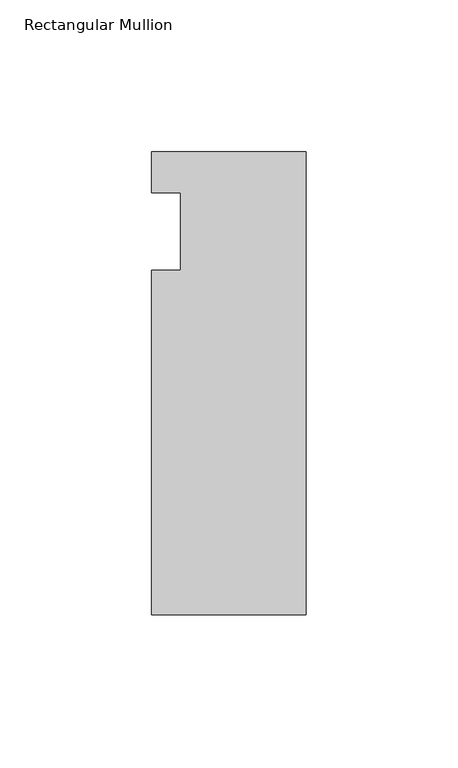
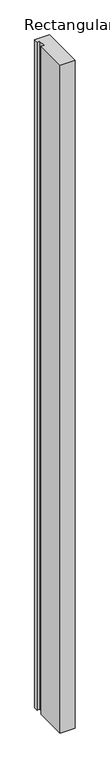
"""IFC4 building model written with IfcOpenShell, lengths in millimetres: member geometry, Rectangular Mullion."""

from ifc_helpers import new_model, si_unit, frame, origin, place, context, project, spatial, polyline, outline, extrude, source, transform, mapped, element, save


def rectangular_mullion_bac2086d(model_context):
    return source(origin(), model_context, "Body", "SweptSolid", [
        extrude(outline(polyline([(-50.8, 26.19375), (0.0, 26.19375), (0.0, -126.20625), (-50.8, -126.20625), (-50.8, -12.7), (-41.275, -12.7), (-41.275, 12.7), (-50.8, 12.7), (-50.8, 26.19375)])), frame((0.0, 0.0, -2438.4), z_axis=(0.0, 0.0, 1.0), x_axis=(1.0, 0.0, 0.0)), (0.0, 0.0, 1.0), 2438.4),
    ])


if __name__ == "__main__":
    model = new_model("IFC4")
    model_context = context("Model", 3, world=origin())
    ifc_project = project(units=[si_unit("LENGTHUNIT", "METRE", prefix="MILLI")], contexts=[model_context])
    site = spatial("IfcSite", under=ifc_project)
    building = spatial("IfcBuilding", under=site)
    placement = place(None, origin())
    rectangular_mullion_shape = rectangular_mullion_bac2086d(model_context)
    element("IfcMember", 1, ObjectType="Rectangular Mullion", at=placement, inside=building, context=model_context, shape_type="MappedRepresentation", body=[
        mapped(rectangular_mullion_shape, transform((0.0, 0.0, 0.0), x_axis=(1.0, 0.0, 0.0), y_axis=(0.0, 1.0, 0.0), z_axis=(0.0, 0.0, 1.0))),
    ])
    save(model, "model.ifc")
